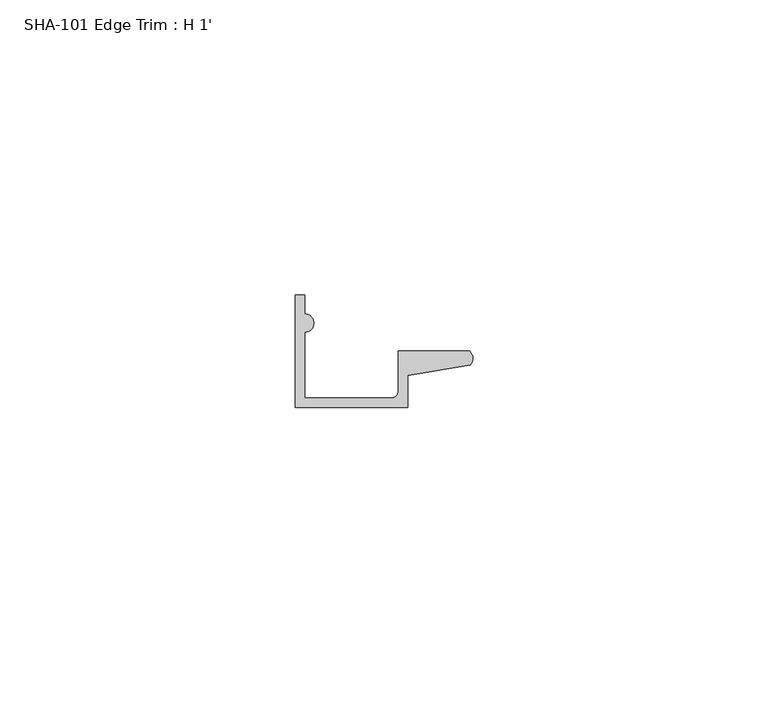
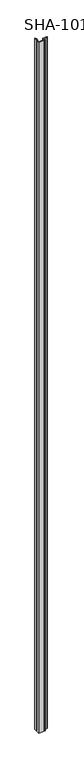
"""IFC4 building model written with IfcOpenShell, lengths in millimetres: proxy geometry, SHA-101 Edge Trim : H 1'."""

from ifc_helpers import new_model, si_unit, point, frame_2d, origin, origin_with_axes, place, context, project, spatial, polyline, circle_curve, trimmed, segment, composite_curve, outline, extrude, source, transform, mapped, element, save


def sha_101_edge_trim_h_1_7ca10a50(model_context):
    return source(origin(), model_context, "Body", "SweptSolid", [
        extrude(outline(composite_curve([segment(polyline([(1.5748, 12.7127), (1.5748, 1.5748), (16.1798, 1.5748)]), True, "CONTINUOUS"), segment(trimmed(circle_curve(frame_2d((16.1798, 2.8448)), 1.27), [point((16.1798, 1.5748))], [point((17.4498, 2.8448))], True, "CARTESIAN"), True, "CONTINUOUS"), segment(polyline([(17.4498, 2.8448), (17.4498, 9.525), (29.5346031, 9.525)]), True, "CONTINUOUS"), segment(trimmed(circle_curve(frame_2d((28.4438454, 8.3323235)), 1.6162393), [point((29.5346031, 9.525))], [point((29.6006869, 7.2036308))], False, "CARTESIAN"), True, "CONTINUOUS"), segment(polyline([(29.6006869, 7.2036308), (19.0246, 5.392657), (19.0246, 0.0), (0.0, 0.0), (0.0, 19.05), (1.5748, 19.05), (1.5748, 15.8623)]), True, "CONTINUOUS"), segment(trimmed(circle_curve(frame_2d((1.5748, 14.2875)), 1.5748), [point((1.5748, 15.8623))], [point((1.5748, 12.7127))], False, "CARTESIAN"), True, "CONTINUOUS")], self_intersect=False)), origin_with_axes(), (0.0, 0.0, 1.0), 2133.6),
    ])


if __name__ == "__main__":
    model = new_model("IFC4")
    model_context = context("Model", 3, world=origin())
    ifc_project = project(units=[si_unit("LENGTHUNIT", "METRE", prefix="MILLI")], contexts=[model_context])
    site = spatial("IfcSite", under=ifc_project)
    building = spatial("IfcBuilding", under=site)
    placement = place(None, origin())
    sha_101_edge_trim_h_1_shape = sha_101_edge_trim_h_1_7ca10a50(model_context)
    element("IfcBuildingElementProxy", 1, Name="SHA-101 Edge Trim : H 1'", ObjectType="SHA-101 Edge Trim : H 1'", at=placement, inside=building, context=model_context, shape_type="MappedRepresentation", body=[
        mapped(sha_101_edge_trim_h_1_shape, transform((0.0, 0.0, 0.0), x_axis=(1.0, 0.0, 0.0), y_axis=(0.0, 1.0, 0.0), z_axis=(0.0, 0.0, 1.0))),
    ])
    save(model, "model.ifc")
